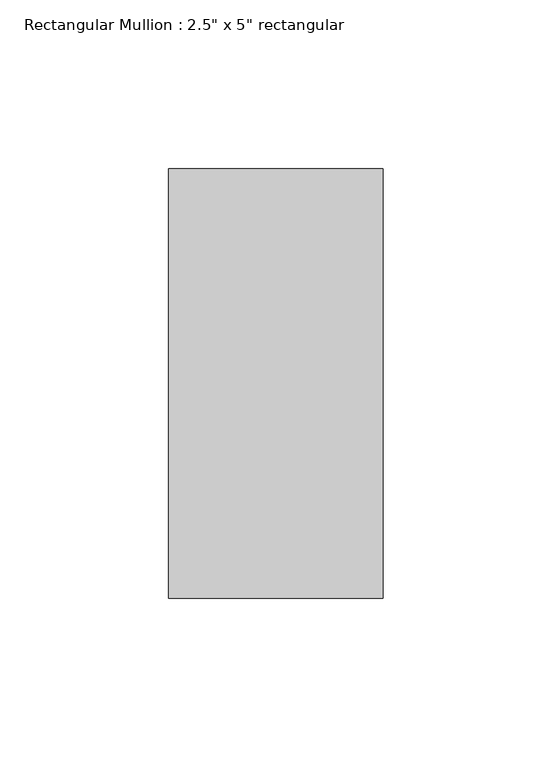
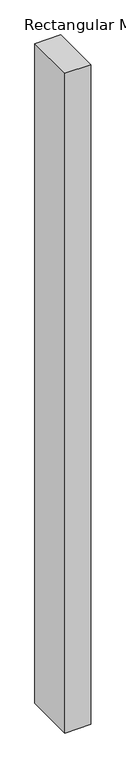
"""IFC4 building model written with IfcOpenShell, lengths in millimetres: member geometry."""

from ifc_helpers import new_model, si_unit, frame, origin, place, context, project, spatial, polyline, outline, extrude, source, transform, mapped, element, save


def member_d835890b(model_context):
    return source(origin(), model_context, "Body", "SweptSolid", [
        extrude(outline(polyline([(31.75, 63.5), (31.75, -63.5), (-31.75, -63.5), (-31.75, 63.5), (31.75, 63.5)])), frame((0.0, 0.0, -1701.8305382), z_axis=(0.0, 0.0, 1.0), x_axis=(1.0, 0.0, 0.0)), (0.0, 0.0, 1.0), 1701.8305382),
    ])


if __name__ == "__main__":
    model = new_model("IFC4")
    model_context = context("Model", 3, world=origin())
    ifc_project = project(units=[si_unit("LENGTHUNIT", "METRE", prefix="MILLI")], contexts=[model_context])
    site = spatial("IfcSite", under=ifc_project)
    building = spatial("IfcBuilding", under=site)
    placement = place(None, origin())
    member_shape = member_d835890b(model_context)
    element("IfcMember", 1, ObjectType="Rectangular Mullion : 2.5\" x 5\" rectangular", at=placement, inside=building, context=model_context, shape_type="MappedRepresentation", body=[
        mapped(member_shape, transform((0.0, 0.0, 0.0), x_axis=(1.0, 0.0, 0.0), y_axis=(0.0, 1.0, 0.0), z_axis=(0.0, 0.0, 1.0))),
    ])
    save(model, "model.ifc")
